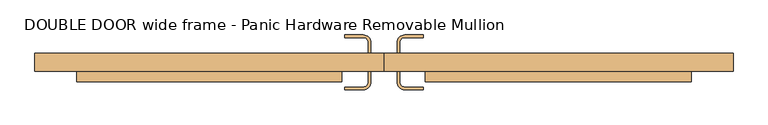
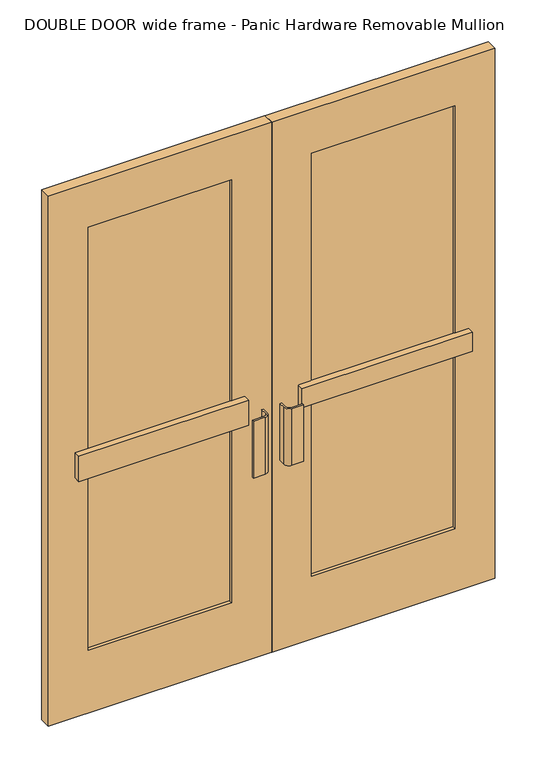
"""IFC4 building model written with IfcOpenShell, lengths in millimetres: door geometry, DOUBLE DOOR wide frame - Panic Hardware Removable Mullion."""

import ifcopenshell
import ifcopenshell.guid

model = None  # the IFC model being written
_history = None  # IfcOwnerHistory: only IFC2X3 demands one
_inside = {}  # id of a spatial element -> (the spatial element, [elements in it])
_under = {}  # id of a project, library or spatial element -> (it, [spatial elements below it])
_declared = {}  # id of a project -> (the project, [libraries it declares])
_typed = {}  # id of a type object -> (the type object, [elements of that type])
_made_of = {}  # id of a material, layer set ... -> (it, [elements and type objects made of it])


def new_model(schema):
    """Start an empty IFC model of exactly this schema.

    Asked for "IFC4X3", IfcOpenShell would pick the latest addendum, in which some entities
    have other attributes; the version numbers below select the first issue.
    IFC2X3 requires an IfcOwnerHistory on every rooted entity: one is made here for all.
    """
    global model, _history
    if schema == "IFC4X3":
        model = ifcopenshell.file(schema_version=(4, 3, 0, 0))
    else:
        model = ifcopenshell.file(schema=schema)
    _inside.clear()
    _under.clear()
    _declared.clear()
    _typed.clear()
    _made_of.clear()
    _history = None
    if model.schema == "IFC2X3":
        org = make("IfcOrganization", Name="unknown")
        user = make(
            "IfcPersonAndOrganization",
            ThePerson=make("IfcPerson", FamilyName="unknown"),
            TheOrganization=org,
        )
        app = make(
            "IfcApplication",
            ApplicationDeveloper=org,
            Version="unknown",
            ApplicationFullName="unknown",
            ApplicationIdentifier="unknown",
        )
        _history = make(
            "IfcOwnerHistory",
            OwningUser=user,
            OwningApplication=app,
            ChangeAction="ADDED",
            CreationDate=0,
        )
    return model


def make(cls, **values):
    """One entity of the class cls with the attributes given. An attribute that is None is left unset."""
    return model.create_entity(
        cls, **{name: value for name, value in values.items() if value is not None}
    )


def rooted(cls, **values):
    """An entity with a GlobalId (a new one), such as an element, a storey or a relation."""
    return make(cls, GlobalId=ifcopenshell.guid.new(), OwnerHistory=_history, **values)


def si_unit(unit_type, name, prefix=None):
    """IfcSIUnit, for example si_unit("LENGTHUNIT", "METRE", prefix="MILLI")."""
    return make("IfcSIUnit", UnitType=unit_type, Prefix=prefix, Name=name)


def assignment(units):
    """IfcUnitAssignment: the units of a project."""
    return None if units is None else make("IfcUnitAssignment", Units=units)


def point(xyz):
    """IfcCartesianPoint."""
    return None if xyz is None else make("IfcCartesianPoint", Coordinates=xyz)


def direction(xyz):
    """IfcDirection."""
    return None if xyz is None else make("IfcDirection", DirectionRatios=xyz)


def frame(location, z_axis=None, x_axis=None):
    """IfcAxis2Placement3D, a coordinate frame: its origin and axes. An axis left out is left unset."""
    return make(
        "IfcAxis2Placement3D",
        Location=point(location),
        Axis=direction(z_axis),
        RefDirection=direction(x_axis),
    )


def frame_2d(location, x_axis=None):
    """IfcAxis2Placement2D, a coordinate frame in the plane: its origin and x axis."""
    return make(
        "IfcAxis2Placement2D", Location=point(location), RefDirection=direction(x_axis)
    )


def origin():
    """The frame at (0, 0, 0) with its axes left unset."""
    return frame((0.0, 0.0, 0.0))


def place(relative_to, where):
    """IfcLocalPlacement: puts the frame where relative to a parent placement (None: the world)."""
    return make(
        "IfcLocalPlacement", PlacementRelTo=relative_to, RelativePlacement=where
    )


def context(
    kind, dimensions, precision=None, world=None, true_north=None, identifier=None
):
    """IfcGeometricRepresentationContext, for example the 3D "Model" context."""
    return make(
        "IfcGeometricRepresentationContext",
        ContextIdentifier=identifier,
        ContextType=kind,
        CoordinateSpaceDimension=dimensions,
        Precision=precision,
        WorldCoordinateSystem=world,
        TrueNorth=true_north,
    )


def project(units=None, contexts=None):
    """IfcProject with its units and contexts."""
    return rooted(
        "IfcProject",
        Name="project",
        RepresentationContexts=contexts,
        UnitsInContext=assignment(units),
    )


def spatial(cls, under=None, at=None, **own):
    """A site, building, storey or space (cls), placed at a placement, below another one or the project."""
    s = rooted(cls, ObjectPlacement=at, **own)
    if under is not None:
        _under.setdefault(under.id(), (under, []))[1].append(s)
    return s


def polyline(points):
    """IfcPolyline through the points."""
    return make("IfcPolyline", Points=[point(p) for p in points])


def circle_curve(where, radius):
    """IfcCircle in the frame where."""
    return make("IfcCircle", Position=where, Radius=radius)


def trimmed(basis, trim1, trim2, sense, master):
    """IfcTrimmedCurve: the piece of a basis curve between two trims."""
    return make(
        "IfcTrimmedCurve",
        BasisCurve=basis,
        Trim1=trim1,
        Trim2=trim2,
        SenseAgreement=sense,
        MasterRepresentation=master,
    )


def segment(curve, same_sense, transition):
    """IfcCompositeCurveSegment."""
    return make(
        "IfcCompositeCurveSegment",
        Transition=transition,
        SameSense=same_sense,
        ParentCurve=curve,
    )


def composite_curve(segments, self_intersect=None):
    """IfcCompositeCurve: segments joined end to end."""
    return make("IfcCompositeCurve", Segments=segments, SelfIntersect=self_intersect)


def outline(outer, holes=None, kind="AREA"):
    """IfcArbitraryClosedProfileDef: a profile drawn as a closed curve; with holes, ...WithVoids."""
    if holes is None:
        return make("IfcArbitraryClosedProfileDef", ProfileType=kind, OuterCurve=outer)
    return make(
        "IfcArbitraryProfileDefWithVoids",
        ProfileType=kind,
        OuterCurve=outer,
        InnerCurves=holes,
    )


def extrude(swept, where, along, depth):
    """IfcExtrudedAreaSolid: the profile swept, set in the frame where, extruded along a direction by depth."""
    return make(
        "IfcExtrudedAreaSolid",
        SweptArea=swept,
        Position=where,
        ExtrudedDirection=direction(along),
        Depth=depth,
    )


def shape(context_of_items, identifier, shape_type, items):
    """IfcShapeRepresentation: the items that make up one representation, for example the "Body"."""
    return make(
        "IfcShapeRepresentation",
        ContextOfItems=context_of_items,
        RepresentationIdentifier=identifier,
        RepresentationType=shape_type,
        Items=items,
    )


def source(mapping_origin, context_of_items, identifier, shape_type, items):
    """IfcRepresentationMap: a shape defined once, which mapped items show again and again."""
    return make(
        "IfcRepresentationMap",
        MappingOrigin=mapping_origin,
        MappedRepresentation=shape(context_of_items, identifier, shape_type, items),
    )


def transform(
    local_origin,
    x_axis=None,
    y_axis=None,
    z_axis=None,
    scale=None,
    scale2=None,
    scale3=None,
    uniform=True,
):
    """IfcCartesianTransformationOperator3D, or its non-uniform kind. x_axis, y_axis, z_axis: its Axis1, 2, 3."""
    if uniform:
        return make(
            "IfcCartesianTransformationOperator3D",
            Axis1=direction(x_axis),
            Axis2=direction(y_axis),
            LocalOrigin=point(local_origin),
            Scale=scale,
            Axis3=direction(z_axis),
        )
    return make(
        "IfcCartesianTransformationOperator3DnonUniform",
        Axis1=direction(x_axis),
        Axis2=direction(y_axis),
        LocalOrigin=point(local_origin),
        Scale=scale,
        Axis3=direction(z_axis),
        Scale2=scale2,
        Scale3=scale3,
    )


def mapped(mapping_source, mapping_target):
    """IfcMappedItem: shows the shape of a source again, moved by a transform."""
    return make(
        "IfcMappedItem", MappingSource=mapping_source, MappingTarget=mapping_target
    )


def made_of(thing, what):
    """Note that an element or type object is made of a material, layer set ...; save() writes the relation."""
    if what is not None:
        _made_of.setdefault(what.id(), (what, []))[1].append(thing)
    return thing


def element(
    cls,
    number,
    at=None,
    inside=None,
    cuts=None,
    type_object=None,
    material=None,
    context=None,
    identifier="Body",
    shape_type=None,
    held_by="IfcProductDefinitionShape",
    body=None,
    shapes=None,
    **own,
):
    """One element of the class cls, such as IfcWall. Its Tag is "e" and its number.

    at: its placement. inside: the storey or other place that contains it. cuts: it is an
    opening in that element (IfcRelVoidsElement). A single representation is given by context,
    identifier, shape_type and body (its items); several are given by shapes. held_by: the class
    of the entity that holds the representations. save() writes the other relations.
    """
    e = rooted(cls, Tag="e%d" % number, ObjectPlacement=at, **own)
    if body is not None:
        shapes = [shape(context, identifier, shape_type, body)]
    if shapes is not None:
        e.Representation = make(held_by, Representations=shapes)
    if inside is not None:
        _inside.setdefault(inside.id(), (inside, []))[1].append(e)
    if cuts is not None:
        rooted(
            "IfcRelVoidsElement", RelatingBuildingElement=cuts, RelatedOpeningElement=e
        )
    if type_object is not None:
        _typed.setdefault(type_object.id(), (type_object, []))[1].append(e)
    return made_of(e, material)


def aggregate(whole, parts):
    """IfcRelAggregates: a whole, such as a stair, and the parts it consists of."""
    return rooted("IfcRelAggregates", RelatingObject=whole, RelatedObjects=parts)


def save(model, path):
    """Write the relations noted so far, then the file.

    IfcRelAggregates (storeys below a building ...), IfcRelContainedInSpatialStructure (elements
    in a storey), IfcRelDefinesByType, IfcRelAssociatesMaterial and IfcRelDeclares: one each for
    every whole, place, type object, material and project.
    """
    for whole, parts in _under.values():
        aggregate(whole, parts)
    for where, things in _inside.values():
        rooted(
            "IfcRelContainedInSpatialStructure",
            RelatedElements=things,
            RelatingStructure=where,
        )
    for kind, things in _typed.values():
        rooted("IfcRelDefinesByType", RelatedObjects=things, RelatingType=kind)
    for what, things in _made_of.values():
        rooted("IfcRelAssociatesMaterial", RelatedObjects=things, RelatingMaterial=what)
    for by, libraries in _declared.values():
        rooted("IfcRelDeclares", RelatingContext=by, RelatedDefinitions=libraries)
    model.write(path)


def double_door_wide_frame_panic_hardware_removable_mullion_f6c29494(model_context):
    return source(origin(), model_context, "Body", "SweptSolid", [
        extrude(outline(composite_curve([segment(trimmed(circle_curve(frame_2d((-50.8, -12.7)), 19.05), [point((-31.75, -12.7))], [point((-50.8, -31.75))], False, "CARTESIAN"), True, "CONTINUOUS"), segment(polyline([(-50.8, -31.75), (-95.25, -31.75), (-95.25, -25.4), (-50.8, -25.4)]), True, "CONTINUOUS"), segment(trimmed(circle_curve(frame_2d((-50.8, -12.7)), 12.7), [point((-50.8, -25.4))], [point((-38.1, -12.7))], True, "CARTESIAN"), True, "CONTINUOUS"), segment(polyline([(-38.1, -12.7), (-38.1, 12.7), (-31.75, 12.7), (-31.75, -12.7)]), True, "CONTINUOUS")], self_intersect=False)), frame((0.0, 0.0, 762.0), z_axis=(0.0, 0.0, 1.0), x_axis=(1.0, 0.0, 0.0)), (0.0, 0.0, 1.0), 228.6),
        extrude(outline(composite_curve([segment(polyline([(31.75, -12.7), (31.75, 12.7), (38.1, 12.7), (38.1, -12.7)]), True, "CONTINUOUS"), segment(trimmed(circle_curve(frame_2d((50.8, -12.7)), 12.7), [point((38.1, -12.7))], [point((50.8, -25.4))], True, "CARTESIAN"), True, "CONTINUOUS"), segment(polyline([(50.8, -25.4), (95.25, -25.4), (95.25, -31.75), (50.8, -31.75)]), True, "CONTINUOUS"), segment(trimmed(circle_curve(frame_2d((50.8, -12.7)), 19.05), [point((50.8, -31.75))], [point((31.75, -12.7))], False, "CARTESIAN"), True, "CONTINUOUS")], self_intersect=False)), frame((0.0, 0.0, 762.0), z_axis=(0.0, 0.0, 1.0), x_axis=(1.0, 0.0, 0.0)), (0.0, 0.0, 1.0), 228.6),
        extrude(outline(composite_curve([segment(polyline([(-31.75, 82.55), (-31.75, 57.15), (-38.1, 57.15), (-38.1, 82.55)]), True, "CONTINUOUS"), segment(trimmed(circle_curve(frame_2d((-50.8, 82.55)), 12.7), [point((-38.1, 82.55))], [point((-50.8, 95.25))], True, "CARTESIAN"), True, "CONTINUOUS"), segment(polyline([(-50.8, 95.25), (-95.25, 95.25), (-95.25, 101.6), (-50.8, 101.6)]), True, "CONTINUOUS"), segment(trimmed(circle_curve(frame_2d((-50.8, 82.55)), 19.05), [point((-50.8, 101.6))], [point((-31.75, 82.55))], False, "CARTESIAN"), True, "CONTINUOUS")], self_intersect=False)), frame((0.0, 0.0, 762.0), z_axis=(0.0, 0.0, 1.0), x_axis=(1.0, 0.0, 0.0)), (0.0, 0.0, 1.0), 228.6),
        extrude(outline(composite_curve([segment(trimmed(circle_curve(frame_2d((50.8, 82.55)), 19.05), [point((31.75, 82.55))], [point((50.8, 101.6))], False, "CARTESIAN"), True, "CONTINUOUS"), segment(polyline([(50.8, 101.6), (95.25, 101.6), (95.25, 95.25), (50.8, 95.25)]), True, "CONTINUOUS"), segment(trimmed(circle_curve(frame_2d((50.8, 82.55)), 12.7), [point((50.8, 95.25))], [point((38.1, 82.55))], True, "CARTESIAN"), True, "CONTINUOUS"), segment(polyline([(38.1, 82.55), (38.1, 57.15), (31.75, 57.15), (31.75, 82.55)]), True, "CONTINUOUS")], self_intersect=False)), frame((0.0, 0.0, 762.0), z_axis=(0.0, 0.0, 1.0), x_axis=(1.0, 0.0, 0.0)), (0.0, 0.0, 1.0), 228.6),
        extrude(outline(polyline([(698.5, 25.4), (151.60625, 25.4), (151.60625, 44.45), (698.5, 44.45), (698.5, 25.4)])), frame((0.0, 0.0, 254.0), z_axis=(0.0, 0.0, 1.0), x_axis=(1.0, 0.0, 0.0)), (0.0, 0.0, 1.0), 1701.8),
        extrude(outline(polyline([(-153.19375, 25.4), (-698.5, 25.4), (-698.5, 44.45), (-153.19375, 44.45), (-153.19375, 25.4)])), frame((0.0, 0.0, 254.0), z_axis=(0.0, 0.0, 1.0), x_axis=(1.0, 0.0, 0.0)), (0.0, 0.0, 1.0), 1701.8),
        extrude(outline(polyline([(2133.6, 0.79375), (0.0, 0.79375), (0.0, 850.9), (2133.6, 850.9), (2133.6, 0.79375)]), holes=[polyline([(1955.8, 151.60625), (1955.8, 698.5), (254.0, 698.5), (254.0, 151.60625), (1955.8, 151.60625)])]), frame((0.0, 12.7, 0.0), z_axis=(0.0, 1.0, 0.0), x_axis=(0.0, 0.0, 1.0)), (0.0, 0.0, 1.0), 44.45),
        extrude(outline(polyline([(2133.6, -0.79375), (2133.6, -850.9), (0.0, -850.9), (0.0, -0.79375), (2133.6, -0.79375)]), holes=[polyline([(1955.8, -698.5), (1955.8, -153.19375), (254.0, -153.19375), (254.0, -698.5), (1955.8, -698.5)])]), frame((0.0, 12.7, 0.0), z_axis=(0.0, 1.0, 0.0), x_axis=(0.0, 0.0, 1.0)), (0.0, 0.0, 1.0), 44.45),
        extrude(outline(polyline([(-102.39375, -12.7), (-749.3, -12.7), (-749.3, 12.7), (-102.39375, 12.7), (-102.39375, -12.7)])), frame((0.0, 0.0, 965.2), z_axis=(0.0, 0.0, 1.0), x_axis=(1.0, 0.0, 0.0)), (0.0, 0.0, 1.0), 101.6),
        extrude(outline(polyline([(749.3, -12.7), (100.80625, -12.7), (100.80625, 12.7), (749.3, 12.7), (749.3, -12.7)])), frame((0.0, 0.0, 965.2), z_axis=(0.0, 0.0, 1.0), x_axis=(1.0, 0.0, 0.0)), (0.0, 0.0, 1.0), 76.2),
    ])


if __name__ == "__main__":
    model = new_model("IFC4")
    model_context = context("Model", 3, world=origin())
    ifc_project = project(units=[si_unit("LENGTHUNIT", "METRE", prefix="MILLI")], contexts=[model_context])
    site = spatial("IfcSite", under=ifc_project)
    building = spatial("IfcBuilding", under=site)
    placement = place(None, origin())
    double_door_wide_frame_panic_hardware_removable_mullion_shape = double_door_wide_frame_panic_hardware_removable_mullion_f6c29494(model_context)
    element("IfcDoor", 1, ObjectType="DOUBLE DOOR wide frame - Panic Hardware Removable Mullion", at=placement, inside=building, context=model_context, shape_type="MappedRepresentation", body=[
        mapped(double_door_wide_frame_panic_hardware_removable_mullion_shape, transform((0.0, 0.0, 0.0), x_axis=(1.0, 0.0, 0.0), y_axis=(0.0, 1.0, 0.0), z_axis=(0.0, 0.0, 1.0))),
    ])
    save(model, "model.ifc")
